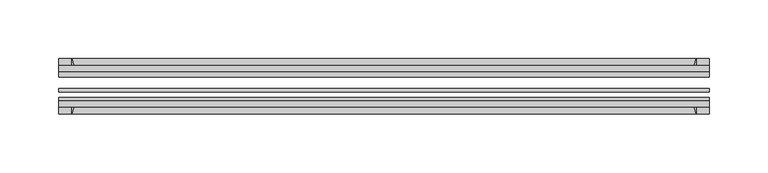
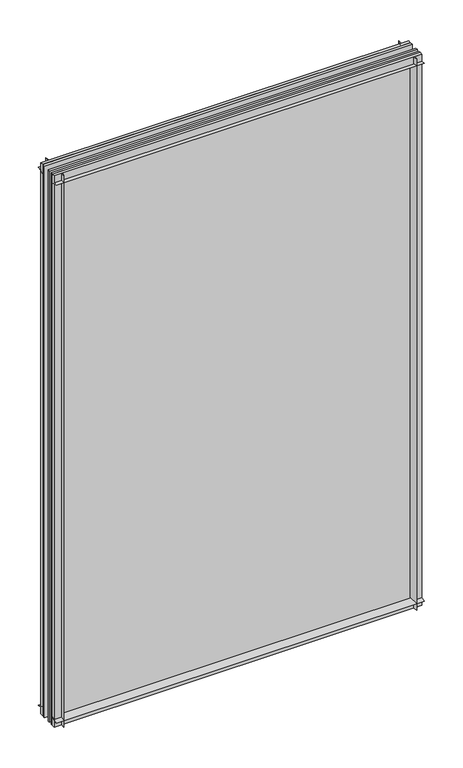
"""IFC4 building model written with IfcOpenShell, lengths in millimetres: plate geometry."""

from ifc_helpers import new_model, si_unit, point, frame, frame_2d, origin, place, context, project, spatial, polyline, circle_curve, trimmed, segment, composite_curve, outline, extrude, source, transform, mapped, element, save


def plate_809a8ec9(model_context):
    return source(origin(), model_context, "Body", "SweptSolid", [
        extrude(outline(composite_curve([segment(polyline([(-74.653775, 0.0), (-80.586498, 0.0)]), True, "CONTINUOUS"), segment(trimmed(circle_curve(frame_2d((-86.2543953, 32.273404)), 32.7673262), [point((-80.586498, 0.0))], [point((-69.878575, 3.8915405))], True, "CARTESIAN"), True, "CONTINUOUS"), segment(polyline([(-69.878575, 3.8915405), (-69.878575, -10.31875), (-74.653775, -10.31875), (-74.653775, 0.0)]), True, "CONTINUOUS")], self_intersect=False)), frame((-303.165813, 0.0, 0.0), z_axis=(1.0, 0.0, 0.0), x_axis=(0.0, 1.0, 0.0)), (0.0, 0.0, 1.0), 552.3566259),
        extrude(outline(composite_curve([segment(polyline([(-44.478575, -10.31875), (-44.478575, 3.8915405)]), True, "CONTINUOUS"), segment(trimmed(circle_curve(frame_2d((-28.1027547, 32.273404)), 32.7673262), [point((-44.478575, 3.8915405))], [point((-33.770652, 0.0))], True, "CARTESIAN"), True, "CONTINUOUS"), segment(polyline([(-33.770652, 0.0), (-39.703375, 0.0), (-39.703375, -10.31875), (-44.478575, -10.31875)]), True, "CONTINUOUS")], self_intersect=False)), frame((-303.165813, 0.0, 0.0), z_axis=(1.0, 0.0, 0.0), x_axis=(0.0, 1.0, 0.0)), (0.0, 0.0, 1.0), 552.3566259),
        extrude(outline(composite_curve([segment(trimmed(circle_curve(frame_2d((-86.2543953, 821.795246)), 32.7673262), [point((-69.878575, 850.1771095))], [point((-80.622775, 854.075))], True, "CARTESIAN"), True, "CONTINUOUS"), segment(polyline([(-80.622775, 854.075), (-74.653775, 854.075), (-74.653775, 865.1875), (-69.878575, 865.1875), (-69.878575, 850.1771095)]), True, "CONTINUOUS")], self_intersect=False)), frame((-303.165813, 0.0, 0.0), z_axis=(1.0, 0.0, 0.0), x_axis=(0.0, 1.0, 0.0)), (0.0, 0.0, 1.0), 552.3566259),
        extrude(outline(composite_curve([segment(polyline([(-44.478575, 850.1771095), (-44.478575, 865.1875), (-39.703375, 865.1875), (-39.703375, 854.075), (-33.734375, 854.075)]), True, "CONTINUOUS"), segment(trimmed(circle_curve(frame_2d((-28.1027547, 821.795246)), 32.7673262), [point((-33.734375, 854.075))], [point((-44.478575, 850.1771095))], True, "CARTESIAN"), True, "CONTINUOUS")], self_intersect=False)), frame((-303.165813, 0.0, 0.0), z_axis=(1.0, 0.0, 0.0), x_axis=(0.0, 1.0, 0.0)), (0.0, 0.0, 1.0), 552.3566259),
        extrude(outline(composite_curve([segment(polyline([(234.1804224, -69.878575), (249.190813, -69.878575), (249.190813, -74.653775), (238.078313, -74.653775), (238.078313, -80.622775)]), True, "CONTINUOUS"), segment(trimmed(circle_curve(frame_2d((205.798559, -86.2543953)), 32.7673262), [point((238.078313, -80.622775))], [point((234.1804224, -69.878575))], True, "CARTESIAN"), True, "CONTINUOUS")], self_intersect=False)), frame((0.0, 0.0, -10.31875), z_axis=(0.0, 0.0, 1.0), x_axis=(1.0, 0.0, 0.0)), (0.0, 0.0, 1.0), 875.50625),
        extrude(outline(composite_curve([segment(trimmed(circle_curve(frame_2d((205.798559, -28.1027547)), 32.7673262), [point((234.1804224, -44.478575))], [point((238.078313, -33.734375))], True, "CARTESIAN"), True, "CONTINUOUS"), segment(polyline([(238.078313, -33.734375), (238.078313, -39.703375), (249.190813, -39.703375), (249.190813, -44.478575), (234.1804224, -44.478575)]), True, "CONTINUOUS")], self_intersect=False)), frame((0.0, 0.0, -10.31875), z_axis=(0.0, 0.0, 1.0), x_axis=(1.0, 0.0, 0.0)), (0.0, 0.0, 1.0), 875.50625),
        extrude(outline(composite_curve([segment(trimmed(circle_curve(frame_2d((-259.773559, -86.2543953)), 32.7673262), [point((-288.1554224, -69.878575))], [point((-292.053313, -80.622775))], True, "CARTESIAN"), True, "CONTINUOUS"), segment(polyline([(-292.053313, -80.622775), (-292.053313, -74.653775), (-303.165813, -74.653775), (-303.165813, -69.878575), (-288.1554224, -69.878575)]), True, "CONTINUOUS")], self_intersect=False)), frame((0.0, 0.0, -10.31875), z_axis=(0.0, 0.0, 1.0), x_axis=(1.0, 0.0, 0.0)), (0.0, 0.0, 1.0), 875.50625),
        extrude(outline(composite_curve([segment(polyline([(-288.1554224, -44.478575), (-303.165813, -44.478575), (-303.165813, -39.703375), (-292.053313, -39.703375), (-292.053313, -33.734375)]), True, "CONTINUOUS"), segment(trimmed(circle_curve(frame_2d((-259.773559, -28.1027547)), 32.7673262), [point((-292.053313, -33.734375))], [point((-288.1554224, -44.478575))], True, "CARTESIAN"), True, "CONTINUOUS")], self_intersect=False)), frame((0.0, 0.0, -10.31875), z_axis=(0.0, 0.0, 1.0), x_axis=(1.0, 0.0, 0.0)), (0.0, 0.0, 1.0), 875.50625),
        extrude(outline(polyline([(-303.165813, -44.478575), (249.190813, -44.478575), (249.190813, -49.241075), (-303.165813, -49.241075), (-303.165813, -44.478575)])), frame((0.0, 0.0, -10.31875), z_axis=(0.0, 0.0, 1.0), x_axis=(1.0, 0.0, 0.0)), (0.0, 0.0, 1.0), 875.50625),
        extrude(outline(polyline([(249.190813, -58.956575), (249.190813, -62.131575), (-303.165813, -62.131575), (-303.165813, -58.956575), (249.190813, -58.956575)])), frame((0.0, 0.0, -10.31875), z_axis=(0.0, 0.0, 1.0), x_axis=(1.0, 0.0, 0.0)), (0.0, 0.0, 1.0), 875.50625),
        extrude(outline(polyline([(-303.165813, -66.703575), (249.190813, -66.703575), (249.190813, -69.878575), (-303.165813, -69.878575), (-303.165813, -66.703575)])), frame((0.0, 0.0, -10.31875), z_axis=(0.0, 0.0, 1.0), x_axis=(1.0, 0.0, 0.0)), (0.0, 0.0, 1.0), 875.50625),
    ])


if __name__ == "__main__":
    model = new_model("IFC4")
    model_context = context("Model", 3, world=origin())
    ifc_project = project(units=[si_unit("LENGTHUNIT", "METRE", prefix="MILLI")], contexts=[model_context])
    site = spatial("IfcSite", under=ifc_project)
    building = spatial("IfcBuilding", under=site)
    placement = place(None, origin())
    plate_shape = plate_809a8ec9(model_context)
    element("IfcPlate", 1, at=placement, inside=building, context=model_context, shape_type="MappedRepresentation", body=[
        mapped(plate_shape, transform((0.0, 0.0, 0.0), x_axis=(1.0, 0.0, 0.0), y_axis=(0.0, 1.0, 0.0), z_axis=(0.0, 0.0, 1.0))),
    ])
    save(model, "model.ifc")
